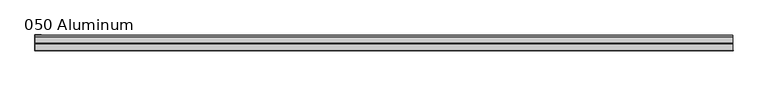
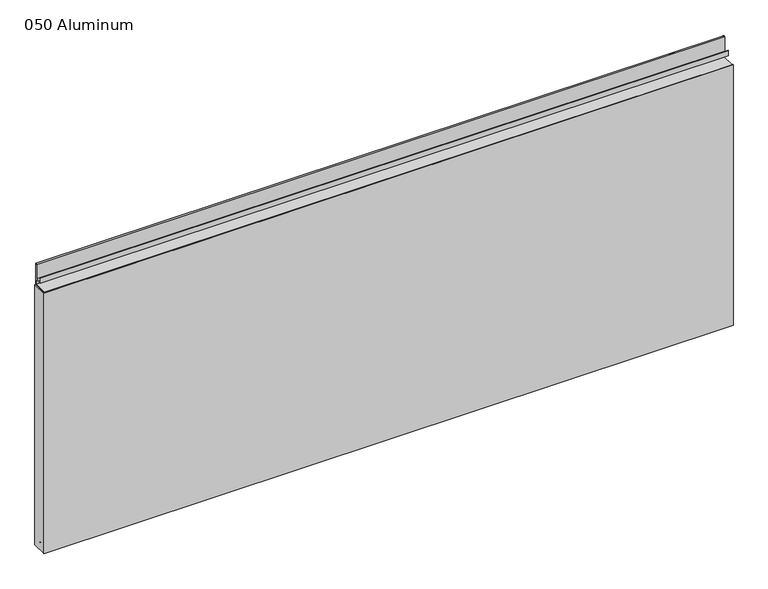
"""IFC4 building model written with IfcOpenShell, lengths in millimetres: plate geometry, 050 Aluminum."""

from ifc_helpers import new_model, si_unit, point, frame, frame_2d, origin, origin_with_axes, place, context, project, spatial, polyline, circle_curve, trimmed, segment, composite_curve, outline, extrude, source, transform, mapped, element, save


def plate_050_aluminum_7bf2b142(model_context):
    return source(origin(), model_context, "Body", "SweptSolid", [
        extrude(outline(polyline([(-760.8622916, -2.5660257), (-760.8622916, -34.7980001), (-762.1322915, -34.7980001), (-762.1322915, -1.2699999), (-747.971791, -1.2699999), (-747.971791, -2.5660257), (-760.8622916, -2.5660257)])), origin_with_axes(), (0.0, 0.0, 1.0), 608.33),
        extrude(outline(composite_curve([segment(polyline([(-16.6765477, 13.1458337), (-16.6765477, 2.786437), (-17.9464915, 2.786437), (-17.9464915, 13.1323356)]), True, "CONTINUOUS"), segment(trimmed(circle_curve(frame_2d((-19.8514743, 13.124237)), 1.905), [point((-17.9464915, 13.1323356))], [point((-21.7564743, 13.124237))], True, "CARTESIAN"), True, "CONTINUOUS"), segment(polyline([(-21.7564743, 13.124237), (-21.7564743, 0.0), (-34.7980002, 0.0), (-34.7980002, 1.2693678), (-23.0264743, 1.2693678), (-23.0264743, 13.124237)]), True, "CONTINUOUS"), segment(trimmed(circle_curve(frame_2d((-19.8514743, 13.124237)), 3.175), [point((-23.0264743, 13.124237))], [point((-16.6765477, 13.1458337))], False, "CARTESIAN"), True, "CONTINUOUS")], self_intersect=False)), frame((-760.8622916, 0.0, 0.0), z_axis=(1.0, 0.0, 0.0), x_axis=(0.0, 1.0, 0.0)), (0.0, 0.0, 1.0), 1521.7245832),
        extrude(outline(composite_curve([segment(polyline([(-2.0574743, 656.7932001), (-2.0574743, 608.33), (-34.7980002, 608.33), (-34.7980002, 609.6000001), (-3.3274743, 609.6000001), (-3.3274743, 656.7932001)]), True, "CONTINUOUS"), segment(trimmed(circle_curve(frame_2d((-3.7084742, 656.7932001)), 0.3809999), [point((-3.3274743, 656.7932001))], [point((-4.0894742, 656.7932001))], True, "CARTESIAN"), True, "CONTINUOUS"), segment(polyline([(-4.0894742, 656.7932001), (-4.0894742, 622.3), (-20.4864742, 622.3), (-20.4864742, 633.6538), (-19.2164743, 633.6538), (-19.2164743, 623.57), (-5.3594742, 623.57), (-5.3594742, 656.7932001)]), True, "CONTINUOUS"), segment(trimmed(circle_curve(frame_2d((-3.7084742, 656.7932001)), 1.6509999), [point((-5.3594742, 656.7932001))], [point((-2.0574743, 656.7932001))], False, "CARTESIAN"), True, "CONTINUOUS")], self_intersect=False)), frame((-760.8622916, 0.0, 0.0), z_axis=(1.0, 0.0, 0.0), x_axis=(0.0, 1.0, 0.0)), (0.0, 0.0, 1.0), 1521.7245832),
        extrude(outline(polyline([(-762.1322916, -36.068), (-762.1322916, -34.7980001), (762.1322916, -34.7980001), (762.1322916, -36.068), (-762.1322916, -36.068)])), origin_with_axes(), (0.0, 0.0, 1.0), 609.6),
    ])


if __name__ == "__main__":
    model = new_model("IFC4")
    model_context = context("Model", 3, world=origin())
    ifc_project = project(units=[si_unit("LENGTHUNIT", "METRE", prefix="MILLI")], contexts=[model_context])
    site = spatial("IfcSite", under=ifc_project)
    building = spatial("IfcBuilding", under=site)
    placement = place(None, origin())
    plate_050_aluminum_shape = plate_050_aluminum_7bf2b142(model_context)
    element("IfcPlate", 1, ObjectType="050 Aluminum", at=placement, inside=building, context=model_context, shape_type="MappedRepresentation", body=[
        mapped(plate_050_aluminum_shape, transform((0.0, 0.0, 0.0), x_axis=(1.0, 0.0, 0.0), y_axis=(0.0, 1.0, 0.0), z_axis=(0.0, 0.0, 1.0))),
    ])
    save(model, "model.ifc")
